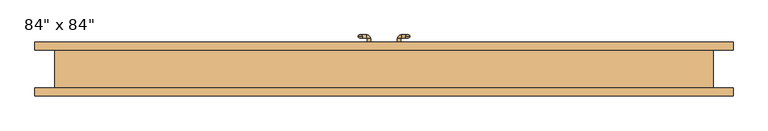
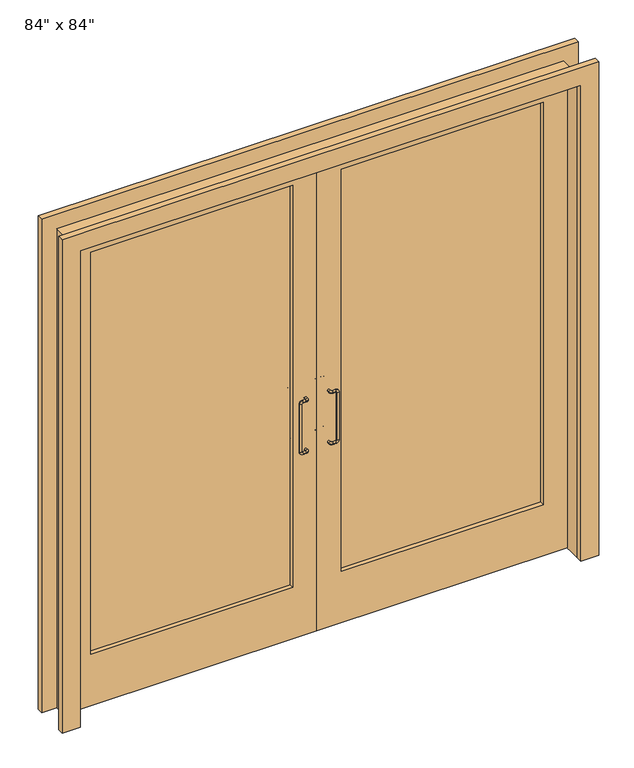
"""IFC4 building model written with IfcOpenShell, lengths in millimetres: door geometry."""

import ifcopenshell
import ifcopenshell.guid

model = None  # the IFC model being written
_history = None  # IfcOwnerHistory: only IFC2X3 demands one
_inside = {}  # id of a spatial element -> (the spatial element, [elements in it])
_under = {}  # id of a project, library or spatial element -> (it, [spatial elements below it])
_declared = {}  # id of a project -> (the project, [libraries it declares])
_typed = {}  # id of a type object -> (the type object, [elements of that type])
_made_of = {}  # id of a material, layer set ... -> (it, [elements and type objects made of it])


def new_model(schema):
    """Start an empty IFC model of exactly this schema.

    Asked for "IFC4X3", IfcOpenShell would pick the latest addendum, in which some entities
    have other attributes; the version numbers below select the first issue.
    IFC2X3 requires an IfcOwnerHistory on every rooted entity: one is made here for all.
    """
    global model, _history
    if schema == "IFC4X3":
        model = ifcopenshell.file(schema_version=(4, 3, 0, 0))
    else:
        model = ifcopenshell.file(schema=schema)
    _inside.clear()
    _under.clear()
    _declared.clear()
    _typed.clear()
    _made_of.clear()
    _history = None
    if model.schema == "IFC2X3":
        org = make("IfcOrganization", Name="unknown")
        user = make(
            "IfcPersonAndOrganization",
            ThePerson=make("IfcPerson", FamilyName="unknown"),
            TheOrganization=org,
        )
        app = make(
            "IfcApplication",
            ApplicationDeveloper=org,
            Version="unknown",
            ApplicationFullName="unknown",
            ApplicationIdentifier="unknown",
        )
        _history = make(
            "IfcOwnerHistory",
            OwningUser=user,
            OwningApplication=app,
            ChangeAction="ADDED",
            CreationDate=0,
        )
    return model


def make(cls, **values):
    """One entity of the class cls with the attributes given. An attribute that is None is left unset."""
    return model.create_entity(
        cls, **{name: value for name, value in values.items() if value is not None}
    )


def rooted(cls, **values):
    """An entity with a GlobalId (a new one), such as an element, a storey or a relation."""
    return make(cls, GlobalId=ifcopenshell.guid.new(), OwnerHistory=_history, **values)


def si_unit(unit_type, name, prefix=None):
    """IfcSIUnit, for example si_unit("LENGTHUNIT", "METRE", prefix="MILLI")."""
    return make("IfcSIUnit", UnitType=unit_type, Prefix=prefix, Name=name)


def assignment(units):
    """IfcUnitAssignment: the units of a project."""
    return None if units is None else make("IfcUnitAssignment", Units=units)


def point(xyz):
    """IfcCartesianPoint."""
    return None if xyz is None else make("IfcCartesianPoint", Coordinates=xyz)


def direction(xyz):
    """IfcDirection."""
    return None if xyz is None else make("IfcDirection", DirectionRatios=xyz)


def frame(location, z_axis=None, x_axis=None):
    """IfcAxis2Placement3D, a coordinate frame: its origin and axes. An axis left out is left unset."""
    return make(
        "IfcAxis2Placement3D",
        Location=point(location),
        Axis=direction(z_axis),
        RefDirection=direction(x_axis),
    )


def origin():
    """The frame at (0, 0, 0) with its axes left unset."""
    return frame((0.0, 0.0, 0.0))


def place(relative_to, where):
    """IfcLocalPlacement: puts the frame where relative to a parent placement (None: the world)."""
    return make(
        "IfcLocalPlacement", PlacementRelTo=relative_to, RelativePlacement=where
    )


def context(
    kind, dimensions, precision=None, world=None, true_north=None, identifier=None
):
    """IfcGeometricRepresentationContext, for example the 3D "Model" context."""
    return make(
        "IfcGeometricRepresentationContext",
        ContextIdentifier=identifier,
        ContextType=kind,
        CoordinateSpaceDimension=dimensions,
        Precision=precision,
        WorldCoordinateSystem=world,
        TrueNorth=true_north,
    )


def project(units=None, contexts=None):
    """IfcProject with its units and contexts."""
    return rooted(
        "IfcProject",
        Name="project",
        RepresentationContexts=contexts,
        UnitsInContext=assignment(units),
    )


def spatial(cls, under=None, at=None, **own):
    """A site, building, storey or space (cls), placed at a placement, below another one or the project."""
    s = rooted(cls, ObjectPlacement=at, **own)
    if under is not None:
        _under.setdefault(under.id(), (under, []))[1].append(s)
    return s


def polyline(points):
    """IfcPolyline through the points."""
    return make("IfcPolyline", Points=[point(p) for p in points])


def circle_curve(where, radius):
    """IfcCircle in the frame where."""
    return make("IfcCircle", Position=where, Radius=radius)


def ellipse_curve(where, semi_axis1, semi_axis2):
    """IfcEllipse in the frame where."""
    return make(
        "IfcEllipse", Position=where, SemiAxis1=semi_axis1, SemiAxis2=semi_axis2
    )


def trimmed(basis, trim1, trim2, sense, master):
    """IfcTrimmedCurve: the piece of a basis curve between two trims."""
    return make(
        "IfcTrimmedCurve",
        BasisCurve=basis,
        Trim1=trim1,
        Trim2=trim2,
        SenseAgreement=sense,
        MasterRepresentation=master,
    )


def outline(outer, holes=None, kind="AREA"):
    """IfcArbitraryClosedProfileDef: a profile drawn as a closed curve; with holes, ...WithVoids."""
    if holes is None:
        return make("IfcArbitraryClosedProfileDef", ProfileType=kind, OuterCurve=outer)
    return make(
        "IfcArbitraryProfileDefWithVoids",
        ProfileType=kind,
        OuterCurve=outer,
        InnerCurves=holes,
    )


def extrude(swept, where, along, depth):
    """IfcExtrudedAreaSolid: the profile swept, set in the frame where, extruded along a direction by depth."""
    return make(
        "IfcExtrudedAreaSolid",
        SweptArea=swept,
        Position=where,
        ExtrudedDirection=direction(along),
        Depth=depth,
    )


def shape(context_of_items, identifier, shape_type, items):
    """IfcShapeRepresentation: the items that make up one representation, for example the "Body"."""
    return make(
        "IfcShapeRepresentation",
        ContextOfItems=context_of_items,
        RepresentationIdentifier=identifier,
        RepresentationType=shape_type,
        Items=items,
    )


def source(mapping_origin, context_of_items, identifier, shape_type, items):
    """IfcRepresentationMap: a shape defined once, which mapped items show again and again."""
    return make(
        "IfcRepresentationMap",
        MappingOrigin=mapping_origin,
        MappedRepresentation=shape(context_of_items, identifier, shape_type, items),
    )


def transform(
    local_origin,
    x_axis=None,
    y_axis=None,
    z_axis=None,
    scale=None,
    scale2=None,
    scale3=None,
    uniform=True,
):
    """IfcCartesianTransformationOperator3D, or its non-uniform kind. x_axis, y_axis, z_axis: its Axis1, 2, 3."""
    if uniform:
        return make(
            "IfcCartesianTransformationOperator3D",
            Axis1=direction(x_axis),
            Axis2=direction(y_axis),
            LocalOrigin=point(local_origin),
            Scale=scale,
            Axis3=direction(z_axis),
        )
    return make(
        "IfcCartesianTransformationOperator3DnonUniform",
        Axis1=direction(x_axis),
        Axis2=direction(y_axis),
        LocalOrigin=point(local_origin),
        Scale=scale,
        Axis3=direction(z_axis),
        Scale2=scale2,
        Scale3=scale3,
    )


def mapped(mapping_source, mapping_target):
    """IfcMappedItem: shows the shape of a source again, moved by a transform."""
    return make(
        "IfcMappedItem", MappingSource=mapping_source, MappingTarget=mapping_target
    )


def made_of(thing, what):
    """Note that an element or type object is made of a material, layer set ...; save() writes the relation."""
    if what is not None:
        _made_of.setdefault(what.id(), (what, []))[1].append(thing)
    return thing


def element(
    cls,
    number,
    at=None,
    inside=None,
    cuts=None,
    type_object=None,
    material=None,
    context=None,
    identifier="Body",
    shape_type=None,
    held_by="IfcProductDefinitionShape",
    body=None,
    shapes=None,
    **own,
):
    """One element of the class cls, such as IfcWall. Its Tag is "e" and its number.

    at: its placement. inside: the storey or other place that contains it. cuts: it is an
    opening in that element (IfcRelVoidsElement). A single representation is given by context,
    identifier, shape_type and body (its items); several are given by shapes. held_by: the class
    of the entity that holds the representations. save() writes the other relations.
    """
    e = rooted(cls, Tag="e%d" % number, ObjectPlacement=at, **own)
    if body is not None:
        shapes = [shape(context, identifier, shape_type, body)]
    if shapes is not None:
        e.Representation = make(held_by, Representations=shapes)
    if inside is not None:
        _inside.setdefault(inside.id(), (inside, []))[1].append(e)
    if cuts is not None:
        rooted(
            "IfcRelVoidsElement", RelatingBuildingElement=cuts, RelatedOpeningElement=e
        )
    if type_object is not None:
        _typed.setdefault(type_object.id(), (type_object, []))[1].append(e)
    return made_of(e, material)


def aggregate(whole, parts):
    """IfcRelAggregates: a whole, such as a stair, and the parts it consists of."""
    return rooted("IfcRelAggregates", RelatingObject=whole, RelatedObjects=parts)


def save(model, path):
    """Write the relations noted so far, then the file.

    IfcRelAggregates (storeys below a building ...), IfcRelContainedInSpatialStructure (elements
    in a storey), IfcRelDefinesByType, IfcRelAssociatesMaterial and IfcRelDeclares: one each for
    every whole, place, type object, material and project.
    """
    for whole, parts in _under.values():
        aggregate(whole, parts)
    for where, things in _inside.values():
        rooted(
            "IfcRelContainedInSpatialStructure",
            RelatedElements=things,
            RelatingStructure=where,
        )
    for kind, things in _typed.values():
        rooted("IfcRelDefinesByType", RelatedObjects=things, RelatingType=kind)
    for what, things in _made_of.values():
        rooted("IfcRelAssociatesMaterial", RelatedObjects=things, RelatingMaterial=what)
    for by, libraries in _declared.values():
        rooted("IfcRelDeclares", RelatingContext=by, RelatedDefinitions=libraries)
    model.write(path)


def plane_surface(at):
    """IfcPlane: the flat surface through the origin of the frame at, square to its z axis."""
    return make("IfcPlane", Position=at)


def cylinder_surface(at, radius):
    """IfcCylindricalSurface: all points at the distance radius from the z axis of the frame at."""
    return make("IfcCylindricalSurface", Position=at, Radius=radius)


def revolved_surface(curve, axis_point, axis_direction):
    """IfcSurfaceOfRevolution: the curve turned about the line through axis_point along axis_direction."""
    return make(
        "IfcSurfaceOfRevolution",
        SweptCurve=make("IfcArbitraryOpenProfileDef", ProfileType="CURVE", Curve=curve),
        AxisPosition=make("IfcAxis1Placement", Location=point(axis_point), Axis=direction(axis_direction)),
    )


def advanced_brep(points, edges, surfaces, faces):
    """IfcAdvancedBrep: a solid bounded by faces that lie on surfaces and meet in shared edges.

    An edge is (start, end): straight between two places in points (the first is 0);
    or (start, end, curve); or (start, end, curve, False) where it runs against its curve.
    A face is (place in surfaces, loops), or (place, loops, False) where it looks against
    its surface's normal. A loop lists edges by number (the first is 1), with a minus sign
    where the edge is run from its end to its start. The first loop is the outer one.
    """
    corners = [point(p) for p in points]
    vertices = [make("IfcVertexPoint", VertexGeometry=c) for c in corners]
    made = []
    for start, end, *more in edges:
        made.append(
            make(
                "IfcEdgeCurve",
                EdgeStart=vertices[start],
                EdgeEnd=vertices[end],
                EdgeGeometry=more[0] if more else make("IfcPolyline", Points=[corners[start], corners[end]]),
                SameSense=more[1] if len(more) > 1 else True,
            )
        )
    hull = []
    for where, loops, *sense in faces:
        bounds = []
        for j, loop in enumerate(loops):
            ring = [make("IfcOrientedEdge", EdgeElement=made[abs(k) - 1], Orientation=k > 0) for k in loop]
            bounds.append(
                make(
                    "IfcFaceOuterBound" if j == 0 else "IfcFaceBound",
                    Bound=make("IfcEdgeLoop", EdgeList=ring),
                    Orientation=True,
                )
            )
        hull.append(make("IfcAdvancedFace", Bounds=bounds, FaceSurface=surfaces[where], SameSense=sense[0] if sense else True))
    return make("IfcAdvancedBrep", Outer=make("IfcClosedShell", CfsFaces=hull))


def door_1737cbed(model_context):
    return source(origin(), model_context, "Body", "SolidModel", [
        advanced_brep(
        [(-83.5, 106.2, 833.5), (-70.5, 106.2, 820.5), (-70.5, 101.2, 825.5), (-70.5, 106.2, 830.5), (-73.5, 106.2, 833.5), (-70.5, 111.2, 825.5), (-73.5, 106.2, 1046.1), (-83.5, 106.2, 1046.1), (-70.5, 106.2, 1049.1), (-70.5, 101.2, 1054.1), (-70.5, 106.2, 1059.1), (-70.5, 111.2, 1054.1), (-43.5, 76.2, 1054.1), (-53.5, 76.2, 1054.1), (-43.5, 99.2, 1054.1), (-53.5, 99.2, 1054.1), (-55.5, 111.2, 1054.1), (-55.5, 101.2, 1054.1), (-43.5, 76.2, 825.5), (-53.5, 76.2, 825.5), (-43.5, 99.2, 825.5), (-53.5, 99.2, 825.5), (-55.5, 111.2, 825.5), (-55.5, 101.2, 825.5)],
        [
            (0, 1, circle_curve(frame((-70.5, 106.2, 833.5), z_axis=(0.0, -1.0, 0.0), x_axis=(0.0, 0.0, -1.0)), 13.0)),
            (1, 2, circle_curve(frame((-70.5, 106.2, 825.5), z_axis=(-1.0, 0.0, 0.0), x_axis=(0.0, 0.0, -1.0)), 5.0)),
            (2, 3, circle_curve(frame((-70.5, 106.2, 825.5), z_axis=(-1.0, 0.0, 0.0), x_axis=(0.0, 0.0, -1.0)), 5.0)),
            (3, 4, circle_curve(frame((-70.5, 106.2, 833.5), z_axis=(0.0, 1.0, 0.0), x_axis=(0.0, 0.0, -1.0)), 3.0)),
            (4, 0, circle_curve(frame((-78.5, 106.2, 833.5), z_axis=(0.0, 0.0, -1.0), x_axis=(-1.0, 0.0, 0.0)), 5.0)),
            (0, 4, circle_curve(frame((-78.5, 106.2, 833.5), z_axis=(0.0, 0.0, -1.0), x_axis=(-1.0, 0.0, 0.0)), 5.0)),
            (3, 5, circle_curve(frame((-70.5, 106.2, 825.5), z_axis=(-1.0, 0.0, 0.0), x_axis=(0.0, 0.0, -1.0)), 5.0)),
            (5, 1, circle_curve(frame((-70.5, 106.2, 825.5), z_axis=(-1.0, 0.0, 0.0), x_axis=(0.0, 0.0, -1.0)), 5.0)),
            (4, 6),
            (6, 7, circle_curve(frame((-78.5, 106.2, 1046.1), z_axis=(0.0, 0.0, -1.0), x_axis=(-1.0, 0.0, 0.0)), 5.0)),
            (7, 0),
            (7, 6, circle_curve(frame((-78.5, 106.2, 1046.1), z_axis=(0.0, 0.0, -1.0), x_axis=(-1.0, 0.0, 0.0)), 5.0)),
            (6, 8, circle_curve(frame((-70.5, 106.2, 1046.1), z_axis=(0.0, 1.0, 0.0), x_axis=(-1.0, 0.0, 0.0)), 3.0)),
            (8, 9, circle_curve(frame((-70.5, 106.2, 1054.1), z_axis=(-1.0, 0.0, 0.0), x_axis=(0.0, 0.0, 1.0)), 5.0)),
            (9, 10, circle_curve(frame((-70.5, 106.2, 1054.1), z_axis=(-1.0, 0.0, 0.0), x_axis=(0.0, 0.0, 1.0)), 5.0)),
            (10, 7, circle_curve(frame((-70.5, 106.2, 1046.1), z_axis=(0.0, -1.0, 0.0), x_axis=(-1.0, 0.0, 0.0)), 13.0)),
            (10, 11, circle_curve(frame((-70.5, 106.2, 1054.1), z_axis=(-1.0, 0.0, 0.0), x_axis=(0.0, 0.0, 1.0)), 5.0)),
            (11, 8, circle_curve(frame((-70.5, 106.2, 1054.1), z_axis=(-1.0, 0.0, 0.0), x_axis=(0.0, 0.0, 1.0)), 5.0)),
            (12, 13, circle_curve(frame((-48.5, 76.2, 1054.1), z_axis=(0.0, -1.0, 0.0), x_axis=(-1.0, 0.0, 0.0)), 5.0)),
            (13, 12, circle_curve(frame((-48.5, 76.2, 1054.1), z_axis=(0.0, -1.0, 0.0), x_axis=(-1.0, 0.0, 0.0)), 5.0)),
            (12, 14),
            (14, 15, circle_curve(frame((-48.5, 99.2, 1054.1), z_axis=(0.0, -1.0, 0.0), x_axis=(-1.0, 0.0, 0.0)), 5.0)),
            (15, 13),
            (15, 14, circle_curve(frame((-48.5, 99.2, 1054.1), z_axis=(0.0, -1.0, 0.0), x_axis=(-1.0, 0.0, 0.0)), 5.0)),
            (14, 16, circle_curve(frame((-55.5, 99.2, 1054.1), z_axis=(0.0, 0.0, 1.0), x_axis=(1.0, 0.0, 0.0)), 12.0)),
            (16, 17, circle_curve(frame((-55.5, 106.2, 1054.1), z_axis=(1.0, 0.0, 0.0), x_axis=(0.0, -1.0, 0.0)), 5.0)),
            (17, 15, circle_curve(frame((-55.5, 99.2, 1054.1), z_axis=(0.0, 0.0, -1.0), x_axis=(1.0, 0.0, 0.0)), 2.0)),
            (17, 16, circle_curve(frame((-55.5, 106.2, 1054.1), z_axis=(1.0, 0.0, 0.0), x_axis=(0.0, -1.0, 0.0)), 5.0)),
            (16, 11),
            (9, 17),
            (18, 19, circle_curve(frame((-48.5, 76.2, 825.5), z_axis=(0.0, -1.0, 0.0), x_axis=(-1.0, 0.0, 0.0)), 5.0)),
            (19, 18, circle_curve(frame((-48.5, 76.2, 825.5), z_axis=(0.0, -1.0, 0.0), x_axis=(-1.0, 0.0, 0.0)), 5.0)),
            (18, 20),
            (20, 21, circle_curve(frame((-48.5, 99.2, 825.5), z_axis=(0.0, -1.0, 0.0), x_axis=(-1.0, 0.0, 0.0)), 5.0)),
            (21, 19),
            (21, 20, circle_curve(frame((-48.5, 99.2, 825.5), z_axis=(0.0, -1.0, 0.0), x_axis=(-1.0, 0.0, 0.0)), 5.0)),
            (20, 22, circle_curve(frame((-55.5, 99.2, 825.5), z_axis=(0.0, 0.0, 1.0), x_axis=(1.0, 0.0, 0.0)), 12.0)),
            (22, 23, circle_curve(frame((-55.5, 106.2, 825.5), z_axis=(1.0, 0.0, 0.0), x_axis=(0.0, -1.0, 0.0)), 5.0)),
            (23, 21, circle_curve(frame((-55.5, 99.2, 825.5), z_axis=(0.0, 0.0, -1.0), x_axis=(1.0, 0.0, 0.0)), 2.0)),
            (23, 22, circle_curve(frame((-55.5, 106.2, 825.5), z_axis=(1.0, 0.0, 0.0), x_axis=(0.0, -1.0, 0.0)), 5.0)),
            (22, 5),
            (2, 23),
        ],
        [
            revolved_surface(trimmed(ellipse_curve(frame((-70.5, 106.2, 825.5), z_axis=(1.0, 0.0, 0.0), x_axis=(0.0, 0.0, -1.0)), 5.0, 5.0), [point((-70.5, 106.2, 830.5))], [point((-70.5, 106.2, 820.5))], True, "CARTESIAN"), (-70.5, 106.2, 833.5), (0.0, 1.0, 0.0)),
            revolved_surface(trimmed(ellipse_curve(frame((-70.5, 106.2, 825.5), z_axis=(1.0, 0.0, 0.0), x_axis=(0.0, 0.0, -1.0)), 5.0, 5.0), [point((-70.5, 106.2, 820.5))], [point((-70.5, 106.2, 830.5))], True, "CARTESIAN"), (-70.5, 106.2, 833.5), (0.0, 1.0, 0.0)),
            cylinder_surface(frame((-78.5, 106.2, 833.5), z_axis=(0.0, 0.0, -1.0), x_axis=(-1.0, 0.0, 0.0)), 5.0),
            revolved_surface(trimmed(ellipse_curve(frame((-78.5, 106.2, 1046.1), z_axis=(0.0, 0.0, -1.0), x_axis=(-1.0, 0.0, 0.0)), 5.0, 5.0), [point((-73.5, 106.2, 1046.1))], [point((-83.5, 106.2, 1046.1))], True, "CARTESIAN"), (-70.5, 106.2, 1046.1), (0.0, 1.0, 0.0)),
            revolved_surface(trimmed(ellipse_curve(frame((-78.5, 106.2, 1046.1), z_axis=(0.0, 0.0, -1.0), x_axis=(-1.0, 0.0, 0.0)), 5.0, 5.0), [point((-83.5, 106.2, 1046.1))], [point((-73.5, 106.2, 1046.1))], True, "CARTESIAN"), (-70.5, 106.2, 1046.1), (0.0, 1.0, 0.0)),
            plane_surface(frame((-48.5, 76.2, 1054.1), z_axis=(0.0, -1.0, 0.0), x_axis=(0.0, 0.0, 1.0))),
            cylinder_surface(frame((-48.5, 76.2, 1054.1), z_axis=(0.0, -1.0, 0.0), x_axis=(-1.0, 0.0, 0.0)), 5.0),
            revolved_surface(trimmed(ellipse_curve(frame((-48.5, 99.2, 1054.1), z_axis=(0.0, -1.0, 0.0), x_axis=(-1.0, 0.0, 0.0)), 5.0, 5.0), [point((-43.5, 99.2, 1054.1))], [point((-53.5, 99.2, 1054.1))], True, "CARTESIAN"), (-55.5, 99.2, 1054.1), (0.0, 0.0, 1.0)),
            revolved_surface(trimmed(ellipse_curve(frame((-48.5, 99.2, 1054.1), z_axis=(0.0, -1.0, 0.0), x_axis=(-1.0, 0.0, 0.0)), 5.0, 5.0), [point((-53.5, 99.2, 1054.1))], [point((-43.5, 99.2, 1054.1))], True, "CARTESIAN"), (-55.5, 99.2, 1054.1), (0.0, 0.0, 1.0)),
            cylinder_surface(frame((-55.5, 106.2, 1054.1), z_axis=(1.0, 0.0, 0.0), x_axis=(0.0, -1.0, 0.0)), 5.0),
            plane_surface(frame((-48.5, 76.2, 825.5), z_axis=(0.0, -1.0, 0.0), x_axis=(0.0, 0.0, 1.0))),
            cylinder_surface(frame((-48.5, 76.2, 825.5), z_axis=(0.0, -1.0, 0.0), x_axis=(-1.0, 0.0, 0.0)), 5.0),
            revolved_surface(trimmed(ellipse_curve(frame((-48.5, 99.2, 825.5), z_axis=(0.0, -1.0, 0.0), x_axis=(-1.0, 0.0, 0.0)), 5.0, 5.0), [point((-43.5, 99.2, 825.5))], [point((-53.5, 99.2, 825.5))], True, "CARTESIAN"), (-55.5, 99.2, 825.5), (0.0, 0.0, 1.0)),
            revolved_surface(trimmed(ellipse_curve(frame((-48.5, 99.2, 825.5), z_axis=(0.0, -1.0, 0.0), x_axis=(-1.0, 0.0, 0.0)), 5.0, 5.0), [point((-53.5, 99.2, 825.5))], [point((-43.5, 99.2, 825.5))], True, "CARTESIAN"), (-55.5, 99.2, 825.5), (0.0, 0.0, 1.0)),
            cylinder_surface(frame((-55.5, 106.2, 825.5), z_axis=(1.0, 0.0, 0.0), x_axis=(0.0, -1.0, 0.0)), 5.0),
        ],
        [
            (0, [[1, 2, 3, 4, 5]]),
            (1, [[-1, 6, -4, 7, 8]]),
            (2, [[-5, 9, 10, 11]]),
            (2, [[-6, -11, 12, -9]]),
            (3, [[-10, 13, 14, 15, 16]]),
            (4, [[-12, -16, 17, 18, -13]]),
            (5, [[19, 20]]),
            (6, [[-19, 21, 22, 23]]),
            (6, [[-20, -23, 24, -21]]),
            (7, [[-22, 25, 26, 27]]),
            (8, [[-24, -27, 28, -25]]),
            (9, [[-26, 29, -17, -15, 30]]),
            (9, [[-28, -30, -14, -18, -29]]),
            (10, [[31, 32]]),
            (11, [[-31, 33, 34, 35]]),
            (11, [[-32, -35, 36, -33]]),
            (12, [[-34, 37, 38, 39]]),
            (13, [[-36, -39, 40, -37]]),
            (14, [[-38, 41, -7, -3, 42]]),
            (14, [[-40, -42, -2, -8, -41]]),
        ],
    ),
        advanced_brep(
        [(83.5, 106.2, 833.5), (73.5, 106.2, 833.5), (70.5, 106.2, 830.5), (70.5, 101.2, 825.5), (70.5, 106.2, 820.5), (70.5, 111.2, 825.5), (83.5, 106.2, 1046.1), (73.5, 106.2, 1046.1), (70.5, 106.2, 1059.1), (70.5, 101.2, 1054.1), (70.5, 106.2, 1049.1), (70.5, 111.2, 1054.1), (43.5, 76.2, 1054.1), (53.5, 76.2, 1054.1), (53.5, 99.2, 1054.1), (43.5, 99.2, 1054.1), (55.5, 101.2, 1054.1), (55.5, 111.2, 1054.1), (43.5, 76.2, 825.5), (53.5, 76.2, 825.5), (53.5, 99.2, 825.5), (43.5, 99.2, 825.5), (55.5, 101.2, 825.5), (55.5, 111.2, 825.5)],
        [
            (0, 1, circle_curve(frame((78.5, 106.2, 833.5), z_axis=(0.0, 0.0, -1.0), x_axis=(1.0, 0.0, 0.0)), 5.0)),
            (1, 2, circle_curve(frame((70.5, 106.2, 833.5), z_axis=(0.0, 1.0, 0.0), x_axis=(0.0, 0.0, -1.0)), 3.0)),
            (2, 3, circle_curve(frame((70.5, 106.2, 825.5), z_axis=(1.0, 0.0, 0.0), x_axis=(0.0, 0.0, -1.0)), 5.0)),
            (3, 4, circle_curve(frame((70.5, 106.2, 825.5), z_axis=(1.0, 0.0, 0.0), x_axis=(0.0, 0.0, -1.0)), 5.0)),
            (4, 0, circle_curve(frame((70.5, 106.2, 833.5), z_axis=(0.0, -1.0, 0.0), x_axis=(0.0, 0.0, -1.0)), 13.0)),
            (4, 5, circle_curve(frame((70.5, 106.2, 825.5), z_axis=(1.0, 0.0, 0.0), x_axis=(0.0, 0.0, -1.0)), 5.0)),
            (5, 2, circle_curve(frame((70.5, 106.2, 825.5), z_axis=(1.0, 0.0, 0.0), x_axis=(0.0, 0.0, -1.0)), 5.0)),
            (1, 0, circle_curve(frame((78.5, 106.2, 833.5), z_axis=(0.0, 0.0, -1.0), x_axis=(1.0, 0.0, 0.0)), 5.0)),
            (0, 6),
            (6, 7, circle_curve(frame((78.5, 106.2, 1046.1), z_axis=(0.0, 0.0, -1.0), x_axis=(1.0, 0.0, 0.0)), 5.0)),
            (7, 1),
            (7, 6, circle_curve(frame((78.5, 106.2, 1046.1), z_axis=(0.0, 0.0, -1.0), x_axis=(1.0, 0.0, 0.0)), 5.0)),
            (6, 8, circle_curve(frame((70.5, 106.2, 1046.1), z_axis=(0.0, -1.0, 0.0), x_axis=(1.0, 0.0, 0.0)), 13.0)),
            (8, 9, circle_curve(frame((70.5, 106.2, 1054.1), z_axis=(1.0, 0.0, 0.0), x_axis=(0.0, 0.0, 1.0)), 5.0)),
            (9, 10, circle_curve(frame((70.5, 106.2, 1054.1), z_axis=(1.0, 0.0, 0.0), x_axis=(0.0, 0.0, 1.0)), 5.0)),
            (10, 7, circle_curve(frame((70.5, 106.2, 1046.1), z_axis=(0.0, 1.0, 0.0), x_axis=(1.0, 0.0, 0.0)), 3.0)),
            (10, 11, circle_curve(frame((70.5, 106.2, 1054.1), z_axis=(1.0, 0.0, 0.0), x_axis=(0.0, 0.0, 1.0)), 5.0)),
            (11, 8, circle_curve(frame((70.5, 106.2, 1054.1), z_axis=(1.0, 0.0, 0.0), x_axis=(0.0, 0.0, 1.0)), 5.0)),
            (12, 13, circle_curve(frame((48.5, 76.2, 1054.1), z_axis=(0.0, -1.0, 0.0), x_axis=(1.0, 0.0, 0.0)), 5.0)),
            (13, 12, circle_curve(frame((48.5, 76.2, 1054.1), z_axis=(0.0, -1.0, 0.0), x_axis=(1.0, 0.0, 0.0)), 5.0)),
            (13, 14),
            (14, 15, circle_curve(frame((48.5, 99.2, 1054.1), z_axis=(0.0, -1.0, 0.0), x_axis=(1.0, 0.0, 0.0)), 5.0)),
            (15, 12),
            (15, 14, circle_curve(frame((48.5, 99.2, 1054.1), z_axis=(0.0, -1.0, 0.0), x_axis=(1.0, 0.0, 0.0)), 5.0)),
            (14, 16, circle_curve(frame((55.5, 99.2, 1054.1), z_axis=(0.0, 0.0, -1.0), x_axis=(-1.0, 0.0, 0.0)), 2.0)),
            (16, 17, circle_curve(frame((55.5, 106.2, 1054.1), z_axis=(-1.0, 0.0, 0.0), x_axis=(0.0, -1.0, 0.0)), 5.0)),
            (17, 15, circle_curve(frame((55.5, 99.2, 1054.1), z_axis=(0.0, 0.0, 1.0), x_axis=(-1.0, 0.0, 0.0)), 12.0)),
            (17, 16, circle_curve(frame((55.5, 106.2, 1054.1), z_axis=(-1.0, 0.0, 0.0), x_axis=(0.0, -1.0, 0.0)), 5.0)),
            (16, 9),
            (11, 17),
            (18, 19, circle_curve(frame((48.5, 76.2, 825.5), z_axis=(0.0, -1.0, 0.0), x_axis=(1.0, 0.0, 0.0)), 5.0)),
            (19, 18, circle_curve(frame((48.5, 76.2, 825.5), z_axis=(0.0, -1.0, 0.0), x_axis=(1.0, 0.0, 0.0)), 5.0)),
            (19, 20),
            (20, 21, circle_curve(frame((48.5, 99.2, 825.5), z_axis=(0.0, -1.0, 0.0), x_axis=(1.0, 0.0, 0.0)), 5.0)),
            (21, 18),
            (21, 20, circle_curve(frame((48.5, 99.2, 825.5), z_axis=(0.0, -1.0, 0.0), x_axis=(1.0, 0.0, 0.0)), 5.0)),
            (20, 22, circle_curve(frame((55.5, 99.2, 825.5), z_axis=(0.0, 0.0, -1.0), x_axis=(-1.0, 0.0, 0.0)), 2.0)),
            (22, 23, circle_curve(frame((55.5, 106.2, 825.5), z_axis=(-1.0, 0.0, 0.0), x_axis=(0.0, -1.0, 0.0)), 5.0)),
            (23, 21, circle_curve(frame((55.5, 99.2, 825.5), z_axis=(0.0, 0.0, 1.0), x_axis=(-1.0, 0.0, 0.0)), 12.0)),
            (23, 22, circle_curve(frame((55.5, 106.2, 825.5), z_axis=(-1.0, 0.0, 0.0), x_axis=(0.0, -1.0, 0.0)), 5.0)),
            (22, 3),
            (5, 23),
        ],
        [
            revolved_surface(trimmed(ellipse_curve(frame((70.5, 106.2, 825.5), z_axis=(1.0, 0.0, 0.0), x_axis=(0.0, 0.0, -1.0)), 5.0, 5.0), [point((70.5, 106.2, 830.5))], [point((70.5, 106.2, 820.5))], True, "CARTESIAN"), (70.5, 106.2, 833.5), (0.0, 1.0, 0.0)),
            revolved_surface(trimmed(ellipse_curve(frame((70.5, 106.2, 825.5), z_axis=(1.0, 0.0, 0.0), x_axis=(0.0, 0.0, -1.0)), 5.0, 5.0), [point((70.5, 106.2, 820.5))], [point((70.5, 106.2, 830.5))], True, "CARTESIAN"), (70.5, 106.2, 833.5), (0.0, 1.0, 0.0)),
            cylinder_surface(frame((78.5, 106.2, 833.5), z_axis=(0.0, 0.0, -1.0), x_axis=(1.0, 0.0, 0.0)), 5.0),
            revolved_surface(trimmed(ellipse_curve(frame((78.5, 106.2, 1046.1), z_axis=(0.0, 0.0, 1.0), x_axis=(1.0, 0.0, 0.0)), 5.0, 5.0), [point((73.5, 106.2, 1046.1))], [point((83.5, 106.2, 1046.1))], True, "CARTESIAN"), (70.5, 106.2, 1046.1), (0.0, 1.0, 0.0)),
            revolved_surface(trimmed(ellipse_curve(frame((78.5, 106.2, 1046.1), z_axis=(0.0, 0.0, 1.0), x_axis=(1.0, 0.0, 0.0)), 5.0, 5.0), [point((83.5, 106.2, 1046.1))], [point((73.5, 106.2, 1046.1))], True, "CARTESIAN"), (70.5, 106.2, 1046.1), (0.0, 1.0, 0.0)),
            plane_surface(frame((48.5, 76.2, 1054.1), z_axis=(0.0, -1.0, 0.0), x_axis=(0.0, 0.0, 1.0))),
            cylinder_surface(frame((48.5, 76.2, 1054.1), z_axis=(0.0, -1.0, 0.0), x_axis=(1.0, 0.0, 0.0)), 5.0),
            revolved_surface(trimmed(ellipse_curve(frame((48.5, 99.2, 1054.1), z_axis=(0.0, 1.0, 0.0), x_axis=(1.0, 0.0, 0.0)), 5.0, 5.0), [point((43.5, 99.2, 1054.1))], [point((53.5, 99.2, 1054.1))], True, "CARTESIAN"), (55.5, 99.2, 1054.1), (0.0, 0.0, 1.0)),
            revolved_surface(trimmed(ellipse_curve(frame((48.5, 99.2, 1054.1), z_axis=(0.0, 1.0, 0.0), x_axis=(1.0, 0.0, 0.0)), 5.0, 5.0), [point((53.5, 99.2, 1054.1))], [point((43.5, 99.2, 1054.1))], True, "CARTESIAN"), (55.5, 99.2, 1054.1), (0.0, 0.0, 1.0)),
            cylinder_surface(frame((55.5, 106.2, 1054.1), z_axis=(-1.0, 0.0, 0.0), x_axis=(0.0, -1.0, 0.0)), 5.0),
            plane_surface(frame((48.5, 76.2, 825.5), z_axis=(0.0, -1.0, 0.0), x_axis=(0.0, 0.0, 1.0))),
            cylinder_surface(frame((48.5, 76.2, 825.5), z_axis=(0.0, -1.0, 0.0), x_axis=(1.0, 0.0, 0.0)), 5.0),
            revolved_surface(trimmed(ellipse_curve(frame((48.5, 99.2, 825.5), z_axis=(0.0, 1.0, 0.0), x_axis=(1.0, 0.0, 0.0)), 5.0, 5.0), [point((43.5, 99.2, 825.5))], [point((53.5, 99.2, 825.5))], True, "CARTESIAN"), (55.5, 99.2, 825.5), (0.0, 0.0, 1.0)),
            revolved_surface(trimmed(ellipse_curve(frame((48.5, 99.2, 825.5), z_axis=(0.0, 1.0, 0.0), x_axis=(1.0, 0.0, 0.0)), 5.0, 5.0), [point((53.5, 99.2, 825.5))], [point((43.5, 99.2, 825.5))], True, "CARTESIAN"), (55.5, 99.2, 825.5), (0.0, 0.0, 1.0)),
            cylinder_surface(frame((55.5, 106.2, 825.5), z_axis=(-1.0, 0.0, 0.0), x_axis=(0.0, -1.0, 0.0)), 5.0),
        ],
        [
            (0, [[1, 2, 3, 4, 5]]),
            (1, [[6, 7, -2, 8, -5]]),
            (2, [[9, 10, 11, -1]]),
            (2, [[-11, 12, -9, -8]]),
            (3, [[13, 14, 15, 16, -10]]),
            (4, [[-16, 17, 18, -13, -12]]),
            (5, [[19, 20]]),
            (6, [[21, 22, 23, -20]]),
            (6, [[-23, 24, -21, -19]]),
            (7, [[25, 26, 27, -22]]),
            (8, [[-27, 28, -25, -24]]),
            (9, [[29, -14, -18, 30, -26]]),
            (9, [[-30, -17, -15, -29, -28]]),
            (10, [[31, 32]]),
            (11, [[33, 34, 35, -32]]),
            (11, [[-35, 36, -33, -31]]),
            (12, [[37, 38, 39, -34]]),
            (13, [[-39, 40, -37, -36]]),
            (14, [[41, -3, -7, 42, -38]]),
            (14, [[-42, -6, -4, -41, -40]]),
        ],
    ),
        advanced_brep(
        [(-83.5, -4.6, 833.5), (-73.5, -4.6, 833.5), (-70.5, -4.6, 830.5), (-70.5, 0.4, 825.5), (-70.5, -4.6, 820.5), (-70.5, -9.6, 825.5), (-83.5, -4.6, 1046.1), (-73.5, -4.6, 1046.1), (-70.5, -4.6, 1059.1), (-70.5, 0.4, 1054.1), (-70.5, -4.6, 1049.1), (-70.5, -9.6, 1054.1), (-43.5, 25.4, 1054.1), (-53.5, 25.4, 1054.1), (-53.5, 2.4, 1054.1), (-43.5, 2.4, 1054.1), (-55.5, 0.4, 1054.1), (-55.5, -9.6, 1054.1), (-43.5, 25.4, 825.5), (-53.5, 25.4, 825.5), (-53.5, 2.4, 825.5), (-43.5, 2.4, 825.5), (-55.5, 0.4, 825.5), (-55.5, -9.6, 825.5)],
        [
            (0, 1, circle_curve(frame((-78.5, -4.6, 833.5), z_axis=(0.0, 0.0, -1.0), x_axis=(-1.0, 0.0, 0.0)), 5.0)),
            (1, 2, circle_curve(frame((-70.5, -4.6, 833.5), z_axis=(0.0, -1.0, 0.0), x_axis=(0.0, 0.0, -1.0)), 3.0)),
            (2, 3, circle_curve(frame((-70.5, -4.6, 825.5), z_axis=(-1.0, 0.0, 0.0), x_axis=(0.0, 0.0, -1.0)), 5.0)),
            (3, 4, circle_curve(frame((-70.5, -4.6, 825.5), z_axis=(-1.0, 0.0, 0.0), x_axis=(0.0, 0.0, -1.0)), 5.0)),
            (4, 0, circle_curve(frame((-70.5, -4.6, 833.5), z_axis=(0.0, 1.0, 0.0), x_axis=(0.0, 0.0, -1.0)), 13.0)),
            (4, 5, circle_curve(frame((-70.5, -4.6, 825.5), z_axis=(-1.0, 0.0, 0.0), x_axis=(0.0, 0.0, -1.0)), 5.0)),
            (5, 2, circle_curve(frame((-70.5, -4.6, 825.5), z_axis=(-1.0, 0.0, 0.0), x_axis=(0.0, 0.0, -1.0)), 5.0)),
            (1, 0, circle_curve(frame((-78.5, -4.6, 833.5), z_axis=(0.0, 0.0, -1.0), x_axis=(-1.0, 0.0, 0.0)), 5.0)),
            (0, 6),
            (6, 7, circle_curve(frame((-78.5, -4.6, 1046.1), z_axis=(0.0, 0.0, -1.0), x_axis=(-1.0, 0.0, 0.0)), 5.0)),
            (7, 1),
            (7, 6, circle_curve(frame((-78.5, -4.6, 1046.1), z_axis=(0.0, 0.0, -1.0), x_axis=(-1.0, 0.0, 0.0)), 5.0)),
            (6, 8, circle_curve(frame((-70.5, -4.6, 1046.1), z_axis=(0.0, 1.0, 0.0), x_axis=(-1.0, 0.0, 0.0)), 13.0)),
            (8, 9, circle_curve(frame((-70.5, -4.6, 1054.1), z_axis=(-1.0, 0.0, 0.0), x_axis=(0.0, 0.0, 1.0)), 5.0)),
            (9, 10, circle_curve(frame((-70.5, -4.6, 1054.1), z_axis=(-1.0, 0.0, 0.0), x_axis=(0.0, 0.0, 1.0)), 5.0)),
            (10, 7, circle_curve(frame((-70.5, -4.6, 1046.1), z_axis=(0.0, -1.0, 0.0), x_axis=(-1.0, 0.0, 0.0)), 3.0)),
            (10, 11, circle_curve(frame((-70.5, -4.6, 1054.1), z_axis=(-1.0, 0.0, 0.0), x_axis=(0.0, 0.0, 1.0)), 5.0)),
            (11, 8, circle_curve(frame((-70.5, -4.6, 1054.1), z_axis=(-1.0, 0.0, 0.0), x_axis=(0.0, 0.0, 1.0)), 5.0)),
            (12, 13, circle_curve(frame((-48.5, 25.4, 1054.1), z_axis=(0.0, 1.0, 0.0), x_axis=(-1.0, 0.0, 0.0)), 5.0)),
            (13, 12, circle_curve(frame((-48.5, 25.4, 1054.1), z_axis=(0.0, 1.0, 0.0), x_axis=(-1.0, 0.0, 0.0)), 5.0)),
            (13, 14),
            (14, 15, circle_curve(frame((-48.5, 2.4, 1054.1), z_axis=(0.0, 1.0, 0.0), x_axis=(-1.0, 0.0, 0.0)), 5.0)),
            (15, 12),
            (15, 14, circle_curve(frame((-48.5, 2.4, 1054.1), z_axis=(0.0, 1.0, 0.0), x_axis=(-1.0, 0.0, 0.0)), 5.0)),
            (14, 16, circle_curve(frame((-55.5, 2.4, 1054.1), z_axis=(0.0, 0.0, -1.0), x_axis=(1.0, 0.0, 0.0)), 2.0)),
            (16, 17, circle_curve(frame((-55.5, -4.6, 1054.1), z_axis=(1.0, 0.0, 0.0), x_axis=(0.0, 1.0, 0.0)), 5.0)),
            (17, 15, circle_curve(frame((-55.5, 2.4, 1054.1), z_axis=(0.0, 0.0, 1.0), x_axis=(1.0, 0.0, 0.0)), 12.0)),
            (17, 16, circle_curve(frame((-55.5, -4.6, 1054.1), z_axis=(1.0, 0.0, 0.0), x_axis=(0.0, 1.0, 0.0)), 5.0)),
            (16, 9),
            (11, 17),
            (18, 19, circle_curve(frame((-48.5, 25.4, 825.5), z_axis=(0.0, 1.0, 0.0), x_axis=(-1.0, 0.0, 0.0)), 5.0)),
            (19, 18, circle_curve(frame((-48.5, 25.4, 825.5), z_axis=(0.0, 1.0, 0.0), x_axis=(-1.0, 0.0, 0.0)), 5.0)),
            (19, 20),
            (20, 21, circle_curve(frame((-48.5, 2.4, 825.5), z_axis=(0.0, 1.0, 0.0), x_axis=(-1.0, 0.0, 0.0)), 5.0)),
            (21, 18),
            (21, 20, circle_curve(frame((-48.5, 2.4, 825.5), z_axis=(0.0, 1.0, 0.0), x_axis=(-1.0, 0.0, 0.0)), 5.0)),
            (20, 22, circle_curve(frame((-55.5, 2.4, 825.5), z_axis=(0.0, 0.0, -1.0), x_axis=(1.0, 0.0, 0.0)), 2.0)),
            (22, 23, circle_curve(frame((-55.5, -4.6, 825.5), z_axis=(1.0, 0.0, 0.0), x_axis=(0.0, 1.0, 0.0)), 5.0)),
            (23, 21, circle_curve(frame((-55.5, 2.4, 825.5), z_axis=(0.0, 0.0, 1.0), x_axis=(1.0, 0.0, 0.0)), 12.0)),
            (23, 22, circle_curve(frame((-55.5, -4.6, 825.5), z_axis=(1.0, 0.0, 0.0), x_axis=(0.0, 1.0, 0.0)), 5.0)),
            (22, 3),
            (5, 23),
        ],
        [
            revolved_surface(trimmed(ellipse_curve(frame((-70.5, -4.6, 825.5), z_axis=(-1.0, 0.0, 0.0), x_axis=(0.0, 0.0, -1.0)), 5.0, 5.0), [point((-70.5, -4.6, 830.5))], [point((-70.5, -4.6, 820.5))], True, "CARTESIAN"), (-70.5, -4.6, 833.5), (0.0, -1.0, 0.0)),
            revolved_surface(trimmed(ellipse_curve(frame((-70.5, -4.6, 825.5), z_axis=(-1.0, 0.0, 0.0), x_axis=(0.0, 0.0, -1.0)), 5.0, 5.0), [point((-70.5, -4.6, 820.5))], [point((-70.5, -4.6, 830.5))], True, "CARTESIAN"), (-70.5, -4.6, 833.5), (0.0, -1.0, 0.0)),
            cylinder_surface(frame((-78.5, -4.6, 833.5), z_axis=(0.0, 0.0, -1.0), x_axis=(-1.0, 0.0, 0.0)), 5.0),
            revolved_surface(trimmed(ellipse_curve(frame((-78.5, -4.6, 1046.1), z_axis=(0.0, 0.0, 1.0), x_axis=(-1.0, 0.0, 0.0)), 5.0, 5.0), [point((-73.5, -4.6, 1046.1))], [point((-83.5, -4.6, 1046.1))], True, "CARTESIAN"), (-70.5, -4.6, 1046.1), (0.0, -1.0, 0.0)),
            revolved_surface(trimmed(ellipse_curve(frame((-78.5, -4.6, 1046.1), z_axis=(0.0, 0.0, 1.0), x_axis=(-1.0, 0.0, 0.0)), 5.0, 5.0), [point((-83.5, -4.6, 1046.1))], [point((-73.5, -4.6, 1046.1))], True, "CARTESIAN"), (-70.5, -4.6, 1046.1), (0.0, -1.0, 0.0)),
            plane_surface(frame((-48.5, 25.4, 1054.1), z_axis=(0.0, 1.0, 0.0), x_axis=(0.0, 0.0, 1.0))),
            cylinder_surface(frame((-48.5, 25.4, 1054.1), z_axis=(0.0, 1.0, 0.0), x_axis=(-1.0, 0.0, 0.0)), 5.0),
            revolved_surface(trimmed(ellipse_curve(frame((-48.5, 2.4, 1054.1), z_axis=(0.0, -1.0, 0.0), x_axis=(-1.0, 0.0, 0.0)), 5.0, 5.0), [point((-43.5, 2.4, 1054.1))], [point((-53.5, 2.4, 1054.1))], True, "CARTESIAN"), (-55.5, 2.4, 1054.1), (0.0, 0.0, 1.0)),
            revolved_surface(trimmed(ellipse_curve(frame((-48.5, 2.4, 1054.1), z_axis=(0.0, -1.0, 0.0), x_axis=(-1.0, 0.0, 0.0)), 5.0, 5.0), [point((-53.5, 2.4, 1054.1))], [point((-43.5, 2.4, 1054.1))], True, "CARTESIAN"), (-55.5, 2.4, 1054.1), (0.0, 0.0, 1.0)),
            cylinder_surface(frame((-55.5, -4.6, 1054.1), z_axis=(1.0, 0.0, 0.0), x_axis=(0.0, 1.0, 0.0)), 5.0),
            plane_surface(frame((-48.5, 25.4, 825.5), z_axis=(0.0, 1.0, 0.0), x_axis=(0.0, 0.0, 1.0))),
            cylinder_surface(frame((-48.5, 25.4, 825.5), z_axis=(0.0, 1.0, 0.0), x_axis=(-1.0, 0.0, 0.0)), 5.0),
            revolved_surface(trimmed(ellipse_curve(frame((-48.5, 2.4, 825.5), z_axis=(0.0, -1.0, 0.0), x_axis=(-1.0, 0.0, 0.0)), 5.0, 5.0), [point((-43.5, 2.4, 825.5))], [point((-53.5, 2.4, 825.5))], True, "CARTESIAN"), (-55.5, 2.4, 825.5), (0.0, 0.0, 1.0)),
            revolved_surface(trimmed(ellipse_curve(frame((-48.5, 2.4, 825.5), z_axis=(0.0, -1.0, 0.0), x_axis=(-1.0, 0.0, 0.0)), 5.0, 5.0), [point((-53.5, 2.4, 825.5))], [point((-43.5, 2.4, 825.5))], True, "CARTESIAN"), (-55.5, 2.4, 825.5), (0.0, 0.0, 1.0)),
            cylinder_surface(frame((-55.5, -4.6, 825.5), z_axis=(1.0, 0.0, 0.0), x_axis=(0.0, 1.0, 0.0)), 5.0),
        ],
        [
            (0, [[1, 2, 3, 4, 5]]),
            (1, [[6, 7, -2, 8, -5]]),
            (2, [[9, 10, 11, -1]]),
            (2, [[-11, 12, -9, -8]]),
            (3, [[13, 14, 15, 16, -10]]),
            (4, [[-16, 17, 18, -13, -12]]),
            (5, [[19, 20]]),
            (6, [[21, 22, 23, -20]]),
            (6, [[-23, 24, -21, -19]]),
            (7, [[25, 26, 27, -22]]),
            (8, [[-27, 28, -25, -24]]),
            (9, [[29, -14, -18, 30, -26]]),
            (9, [[-30, -17, -15, -29, -28]]),
            (10, [[31, 32]]),
            (11, [[33, 34, 35, -32]]),
            (11, [[-35, 36, -33, -31]]),
            (12, [[37, 38, 39, -34]]),
            (13, [[-39, 40, -37, -36]]),
            (14, [[41, -3, -7, 42, -38]]),
            (14, [[-42, -6, -4, -41, -40]]),
        ],
    ),
        advanced_brep(
        [(83.5, -4.6, 833.5), (70.5, -4.6, 820.5), (70.5, 0.4, 825.5), (70.5, -4.6, 830.5), (73.5, -4.6, 833.5), (70.5, -9.6, 825.5), (73.5, -4.6, 1046.1), (83.5, -4.6, 1046.1), (70.5, -4.6, 1049.1), (70.5, 0.4, 1054.1), (70.5, -4.6, 1059.1), (70.5, -9.6, 1054.1), (43.5, 25.4, 1054.1), (53.5, 25.4, 1054.1), (43.5, 2.4, 1054.1), (53.5, 2.4, 1054.1), (55.5, -9.6, 1054.1), (55.5, 0.4, 1054.1), (43.5, 25.4, 825.5), (53.5, 25.4, 825.5), (43.5, 2.4, 825.5), (53.5, 2.4, 825.5), (55.5, -9.6, 825.5), (55.5, 0.4, 825.5)],
        [
            (0, 1, circle_curve(frame((70.5, -4.6, 833.5), z_axis=(0.0, 1.0, 0.0), x_axis=(0.0, 0.0, -1.0)), 13.0)),
            (1, 2, circle_curve(frame((70.5, -4.6, 825.5), z_axis=(1.0, 0.0, 0.0), x_axis=(0.0, 0.0, -1.0)), 5.0)),
            (2, 3, circle_curve(frame((70.5, -4.6, 825.5), z_axis=(1.0, 0.0, 0.0), x_axis=(0.0, 0.0, -1.0)), 5.0)),
            (3, 4, circle_curve(frame((70.5, -4.6, 833.5), z_axis=(0.0, -1.0, 0.0), x_axis=(0.0, 0.0, -1.0)), 3.0)),
            (4, 0, circle_curve(frame((78.5, -4.6, 833.5), z_axis=(0.0, 0.0, -1.0), x_axis=(1.0, 0.0, 0.0)), 5.0)),
            (0, 4, circle_curve(frame((78.5, -4.6, 833.5), z_axis=(0.0, 0.0, -1.0), x_axis=(1.0, 0.0, 0.0)), 5.0)),
            (3, 5, circle_curve(frame((70.5, -4.6, 825.5), z_axis=(1.0, 0.0, 0.0), x_axis=(0.0, 0.0, -1.0)), 5.0)),
            (5, 1, circle_curve(frame((70.5, -4.6, 825.5), z_axis=(1.0, 0.0, 0.0), x_axis=(0.0, 0.0, -1.0)), 5.0)),
            (4, 6),
            (6, 7, circle_curve(frame((78.5, -4.6, 1046.1), z_axis=(0.0, 0.0, -1.0), x_axis=(1.0, 0.0, 0.0)), 5.0)),
            (7, 0),
            (7, 6, circle_curve(frame((78.5, -4.6, 1046.1), z_axis=(0.0, 0.0, -1.0), x_axis=(1.0, 0.0, 0.0)), 5.0)),
            (6, 8, circle_curve(frame((70.5, -4.6, 1046.1), z_axis=(0.0, -1.0, 0.0), x_axis=(1.0, 0.0, 0.0)), 3.0)),
            (8, 9, circle_curve(frame((70.5, -4.6, 1054.1), z_axis=(1.0, 0.0, 0.0), x_axis=(0.0, 0.0, 1.0)), 5.0)),
            (9, 10, circle_curve(frame((70.5, -4.6, 1054.1), z_axis=(1.0, 0.0, 0.0), x_axis=(0.0, 0.0, 1.0)), 5.0)),
            (10, 7, circle_curve(frame((70.5, -4.6, 1046.1), z_axis=(0.0, 1.0, 0.0), x_axis=(1.0, 0.0, 0.0)), 13.0)),
            (10, 11, circle_curve(frame((70.5, -4.6, 1054.1), z_axis=(1.0, 0.0, 0.0), x_axis=(0.0, 0.0, 1.0)), 5.0)),
            (11, 8, circle_curve(frame((70.5, -4.6, 1054.1), z_axis=(1.0, 0.0, 0.0), x_axis=(0.0, 0.0, 1.0)), 5.0)),
            (12, 13, circle_curve(frame((48.5, 25.4, 1054.1), z_axis=(0.0, 1.0, 0.0), x_axis=(1.0, 0.0, 0.0)), 5.0)),
            (13, 12, circle_curve(frame((48.5, 25.4, 1054.1), z_axis=(0.0, 1.0, 0.0), x_axis=(1.0, 0.0, 0.0)), 5.0)),
            (12, 14),
            (14, 15, circle_curve(frame((48.5, 2.4, 1054.1), z_axis=(0.0, 1.0, 0.0), x_axis=(1.0, 0.0, 0.0)), 5.0)),
            (15, 13),
            (15, 14, circle_curve(frame((48.5, 2.4, 1054.1), z_axis=(0.0, 1.0, 0.0), x_axis=(1.0, 0.0, 0.0)), 5.0)),
            (14, 16, circle_curve(frame((55.5, 2.4, 1054.1), z_axis=(0.0, 0.0, 1.0), x_axis=(-1.0, 0.0, 0.0)), 12.0)),
            (16, 17, circle_curve(frame((55.5, -4.6, 1054.1), z_axis=(-1.0, 0.0, 0.0), x_axis=(0.0, 1.0, 0.0)), 5.0)),
            (17, 15, circle_curve(frame((55.5, 2.4, 1054.1), z_axis=(0.0, 0.0, -1.0), x_axis=(-1.0, 0.0, 0.0)), 2.0)),
            (17, 16, circle_curve(frame((55.5, -4.6, 1054.1), z_axis=(-1.0, 0.0, 0.0), x_axis=(0.0, 1.0, 0.0)), 5.0)),
            (16, 11),
            (9, 17),
            (18, 19, circle_curve(frame((48.5, 25.4, 825.5), z_axis=(0.0, 1.0, 0.0), x_axis=(1.0, 0.0, 0.0)), 5.0)),
            (19, 18, circle_curve(frame((48.5, 25.4, 825.5), z_axis=(0.0, 1.0, 0.0), x_axis=(1.0, 0.0, 0.0)), 5.0)),
            (18, 20),
            (20, 21, circle_curve(frame((48.5, 2.4, 825.5), z_axis=(0.0, 1.0, 0.0), x_axis=(1.0, 0.0, 0.0)), 5.0)),
            (21, 19),
            (21, 20, circle_curve(frame((48.5, 2.4, 825.5), z_axis=(0.0, 1.0, 0.0), x_axis=(1.0, 0.0, 0.0)), 5.0)),
            (20, 22, circle_curve(frame((55.5, 2.4, 825.5), z_axis=(0.0, 0.0, 1.0), x_axis=(-1.0, 0.0, 0.0)), 12.0)),
            (22, 23, circle_curve(frame((55.5, -4.6, 825.5), z_axis=(-1.0, 0.0, 0.0), x_axis=(0.0, 1.0, 0.0)), 5.0)),
            (23, 21, circle_curve(frame((55.5, 2.4, 825.5), z_axis=(0.0, 0.0, -1.0), x_axis=(-1.0, 0.0, 0.0)), 2.0)),
            (23, 22, circle_curve(frame((55.5, -4.6, 825.5), z_axis=(-1.0, 0.0, 0.0), x_axis=(0.0, 1.0, 0.0)), 5.0)),
            (22, 5),
            (2, 23),
        ],
        [
            revolved_surface(trimmed(ellipse_curve(frame((70.5, -4.6, 825.5), z_axis=(-1.0, 0.0, 0.0), x_axis=(0.0, 0.0, -1.0)), 5.0, 5.0), [point((70.5, -4.6, 830.5))], [point((70.5, -4.6, 820.5))], True, "CARTESIAN"), (70.5, -4.6, 833.5), (0.0, -1.0, 0.0)),
            revolved_surface(trimmed(ellipse_curve(frame((70.5, -4.6, 825.5), z_axis=(-1.0, 0.0, 0.0), x_axis=(0.0, 0.0, -1.0)), 5.0, 5.0), [point((70.5, -4.6, 820.5))], [point((70.5, -4.6, 830.5))], True, "CARTESIAN"), (70.5, -4.6, 833.5), (0.0, -1.0, 0.0)),
            cylinder_surface(frame((78.5, -4.6, 833.5), z_axis=(0.0, 0.0, -1.0), x_axis=(1.0, 0.0, 0.0)), 5.0),
            revolved_surface(trimmed(ellipse_curve(frame((78.5, -4.6, 1046.1), z_axis=(0.0, 0.0, -1.0), x_axis=(1.0, 0.0, 0.0)), 5.0, 5.0), [point((73.5, -4.6, 1046.1))], [point((83.5, -4.6, 1046.1))], True, "CARTESIAN"), (70.5, -4.6, 1046.1), (0.0, -1.0, 0.0)),
            revolved_surface(trimmed(ellipse_curve(frame((78.5, -4.6, 1046.1), z_axis=(0.0, 0.0, -1.0), x_axis=(1.0, 0.0, 0.0)), 5.0, 5.0), [point((83.5, -4.6, 1046.1))], [point((73.5, -4.6, 1046.1))], True, "CARTESIAN"), (70.5, -4.6, 1046.1), (0.0, -1.0, 0.0)),
            plane_surface(frame((48.5, 25.4, 1054.1), z_axis=(0.0, 1.0, 0.0), x_axis=(0.0, 0.0, 1.0))),
            cylinder_surface(frame((48.5, 25.4, 1054.1), z_axis=(0.0, 1.0, 0.0), x_axis=(1.0, 0.0, 0.0)), 5.0),
            revolved_surface(trimmed(ellipse_curve(frame((48.5, 2.4, 1054.1), z_axis=(0.0, 1.0, 0.0), x_axis=(1.0, 0.0, 0.0)), 5.0, 5.0), [point((43.5, 2.4, 1054.1))], [point((53.5, 2.4, 1054.1))], True, "CARTESIAN"), (55.5, 2.4, 1054.1), (0.0, 0.0, 1.0)),
            revolved_surface(trimmed(ellipse_curve(frame((48.5, 2.4, 1054.1), z_axis=(0.0, 1.0, 0.0), x_axis=(1.0, 0.0, 0.0)), 5.0, 5.0), [point((53.5, 2.4, 1054.1))], [point((43.5, 2.4, 1054.1))], True, "CARTESIAN"), (55.5, 2.4, 1054.1), (0.0, 0.0, 1.0)),
            cylinder_surface(frame((55.5, -4.6, 1054.1), z_axis=(-1.0, 0.0, 0.0), x_axis=(0.0, 1.0, 0.0)), 5.0),
            plane_surface(frame((48.5, 25.4, 825.5), z_axis=(0.0, 1.0, 0.0), x_axis=(0.0, 0.0, 1.0))),
            cylinder_surface(frame((48.5, 25.4, 825.5), z_axis=(0.0, 1.0, 0.0), x_axis=(1.0, 0.0, 0.0)), 5.0),
            revolved_surface(trimmed(ellipse_curve(frame((48.5, 2.4, 825.5), z_axis=(0.0, 1.0, 0.0), x_axis=(1.0, 0.0, 0.0)), 5.0, 5.0), [point((43.5, 2.4, 825.5))], [point((53.5, 2.4, 825.5))], True, "CARTESIAN"), (55.5, 2.4, 825.5), (0.0, 0.0, 1.0)),
            revolved_surface(trimmed(ellipse_curve(frame((48.5, 2.4, 825.5), z_axis=(0.0, 1.0, 0.0), x_axis=(1.0, 0.0, 0.0)), 5.0, 5.0), [point((53.5, 2.4, 825.5))], [point((43.5, 2.4, 825.5))], True, "CARTESIAN"), (55.5, 2.4, 825.5), (0.0, 0.0, 1.0)),
            cylinder_surface(frame((55.5, -4.6, 825.5), z_axis=(-1.0, 0.0, 0.0), x_axis=(0.0, 1.0, 0.0)), 5.0),
        ],
        [
            (0, [[1, 2, 3, 4, 5]]),
            (1, [[-1, 6, -4, 7, 8]]),
            (2, [[-5, 9, 10, 11]]),
            (2, [[-6, -11, 12, -9]]),
            (3, [[-10, 13, 14, 15, 16]]),
            (4, [[-12, -16, 17, 18, -13]]),
            (5, [[19, 20]]),
            (6, [[-19, 21, 22, 23]]),
            (6, [[-20, -23, 24, -21]]),
            (7, [[-22, 25, 26, 27]]),
            (8, [[-24, -27, 28, -25]]),
            (9, [[-26, 29, -17, -15, 30]]),
            (9, [[-28, -30, -14, -18, -29]]),
            (10, [[31, 32]]),
            (11, [[-31, 33, 34, 35]]),
            (11, [[-32, -35, 36, -33]]),
            (12, [[-34, 37, 38, 39]]),
            (13, [[-36, -39, 40, -37]]),
            (14, [[-38, 41, -7, -3, 42]]),
            (14, [[-40, -42, -2, -8, -41]]),
        ],
    ),
        extrude(outline(polyline([(2120.9, -1054.1), (2120.9, 1054.1), (0.0, 1054.1), (0.0, 1130.3), (2197.1, 1130.3), (2197.1, -1130.3), (0.0, -1130.3), (0.0, -1054.1), (2120.9, -1054.1)])), frame((0.0, -87.3125, 0.0), z_axis=(0.0, 1.0, 0.0), x_axis=(0.0, 0.0, 1.0)), (0.0, 0.0, 1.0), 25.4),
        extrude(outline(polyline([(2120.9, -1054.1), (2120.9, 1054.1), (0.0, 1054.1), (0.0, 1130.3), (2197.1, 1130.3), (2197.1, -1130.3), (0.0, -1130.3), (0.0, -1054.1), (2120.9, -1054.1)])), frame((0.0, 61.9125, 0.0), z_axis=(0.0, 1.0, 0.0), x_axis=(0.0, 0.0, 1.0)), (0.0, 0.0, 1.0), 25.4),
        extrude(outline(polyline([(2120.9, 0.0), (0.0, 0.0), (0.0, 1054.1), (2120.9, 1054.1), (2120.9, 0.0)]), holes=[polyline([(2019.3, 952.5), (228.6, 952.5), (228.6, 101.6), (2019.3, 101.6), (2019.3, 952.5)])]), frame((0.0, 11.1125, 0.0), z_axis=(0.0, 1.0, 0.0), x_axis=(0.0, 0.0, 1.0)), (0.0, 0.0, 1.0), 50.8),
        extrude(outline(polyline([(2120.9, -1054.1), (0.0, -1054.1), (0.0, 0.0), (2120.9, 0.0), (2120.9, -1054.1)]), holes=[polyline([(2019.3, -101.6), (228.6, -101.6), (228.6, -952.5), (2019.3, -952.5), (2019.3, -101.6)])]), frame((0.0, 11.1125, 0.0), z_axis=(0.0, 1.0, 0.0), x_axis=(0.0, 0.0, 1.0)), (0.0, 0.0, 1.0), 50.8),
        extrude(outline(polyline([(952.5, 30.1625), (101.6, 30.1625), (101.6, 42.8625), (952.5, 42.8625), (952.5, 30.1625)])), frame((0.0, 0.0, 228.6), z_axis=(0.0, 0.0, 1.0), x_axis=(1.0, 0.0, 0.0)), (0.0, 0.0, 1.0), 1790.7),
        extrude(outline(polyline([(-101.6, 30.1625), (-952.5, 30.1625), (-952.5, 42.8625), (-101.6, 42.8625), (-101.6, 30.1625)])), frame((0.0, 0.0, 228.6), z_axis=(0.0, 0.0, 1.0), x_axis=(1.0, 0.0, 0.0)), (0.0, 0.0, 1.0), 1790.7),
        extrude(outline(polyline([(2133.6, 1066.8), (2133.6, -1066.8), (0.0, -1066.8), (0.0, -1054.1), (2120.9, -1054.1), (2120.9, 1054.1), (0.0, 1054.1), (0.0, 1066.8), (2133.6, 1066.8)])), frame((0.0, -61.9125, 0.0), z_axis=(0.0, 1.0, 0.0), x_axis=(0.0, 0.0, 1.0)), (0.0, 0.0, 1.0), 123.825),
    ])


if __name__ == "__main__":
    model = new_model("IFC4")
    model_context = context("Model", 3, world=origin())
    ifc_project = project(units=[si_unit("LENGTHUNIT", "METRE", prefix="MILLI")], contexts=[model_context])
    site = spatial("IfcSite", under=ifc_project)
    building = spatial("IfcBuilding", under=site)
    placement = place(None, origin())
    door_shape = door_1737cbed(model_context)
    element("IfcDoor", 1, ObjectType="84\" x 84\"", at=placement, inside=building, context=model_context, shape_type="MappedRepresentation", body=[
        mapped(door_shape, transform((0.0, 0.0, 0.0), x_axis=(1.0, 0.0, 0.0), y_axis=(0.0, 1.0, 0.0), z_axis=(0.0, 0.0, 1.0))),
    ])
    save(model, "model.ifc")
